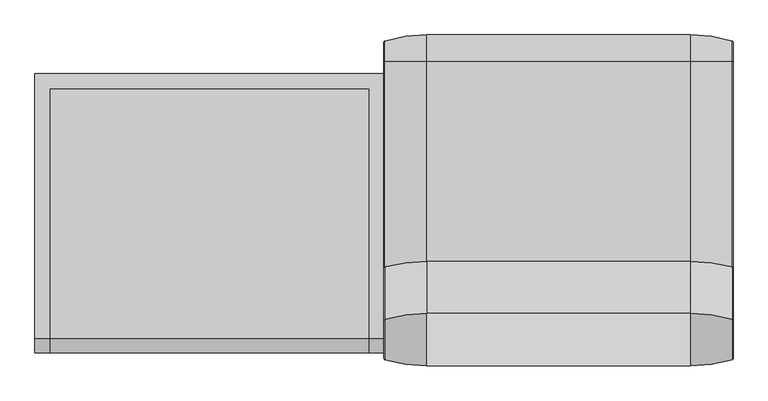
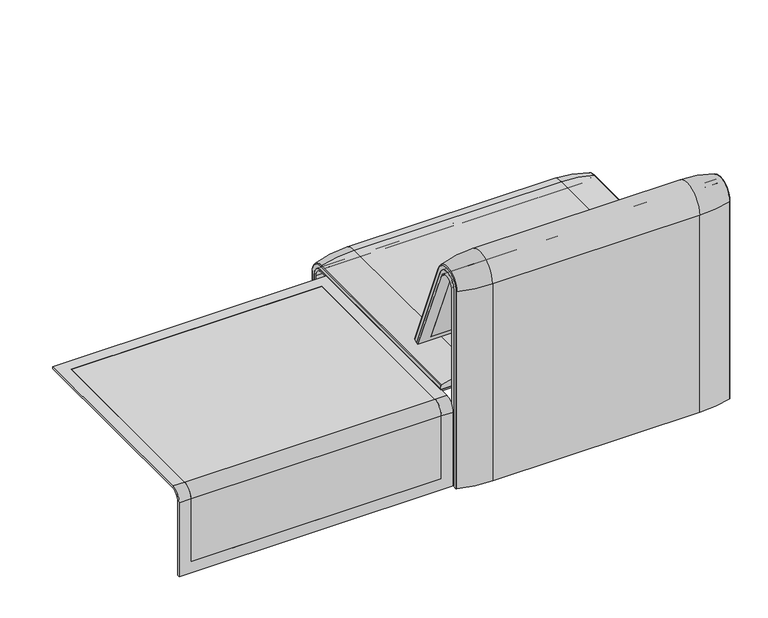
"""IFC4 building model written with IfcOpenShell, lengths in millimetres: furniture geometry."""

from ifc_helpers import new_model, si_unit, point, frame, frame_2d, origin, place, context, project, spatial, polyline, circle_curve, ellipse_curve, trimmed, segment, composite_curve, outline, extrude, source, transform, mapped, element, save
from ifc_brep_helpers import plane_surface, cylinder_surface, revolved_surface, advanced_brep


def furniture_03ffa2ee(model_context):
    return source(origin(), model_context, "Body", "SolidModel", [
        advanced_brep(
        [(407.9906244, -295.0, 359.922434), (1223.9718733, -295.0, 359.922434), (1223.9718733, -295.0, 366.172434), (407.9906244, -295.0, 366.172434), (407.9906244, 357.5, 333.0583003), (442.8906244, 357.5, 333.0583003), (442.8906244, 357.5, 135.3766997), (1189.0718733, 357.5, 135.3766997), (1189.0718733, 357.5, 333.0583003), (1223.9718733, 357.5, 333.0583003), (1223.9718733, 357.5, 100.5089435), (407.9906244, 357.5, 100.5089435), (407.9906244, 323.7517936, 359.922434), (442.8906244, 323.7517936, 359.922434), (442.8906244, -260.0, 359.922434), (1189.0718733, -260.0, 359.922434), (1189.0718733, 323.7517936, 359.922434), (1223.9718733, 323.7517936, 359.922434), (1189.0718733, 351.0, 135.3766997), (1189.0718733, 351.0, 332.6742277), (1189.0718733, -260.0, 366.172434), (1189.0718733, 324.3858663, 366.172434), (442.8906244, -260.0, 366.172434), (407.9906244, 324.3858663, 366.172434), (407.9906244, 351.0, 100.5089435), (407.9906244, 351.0, 332.6742277), (1223.9718733, 351.0, 332.6742277), (1223.9718733, 351.0, 100.5089435), (1223.9718733, 324.3858663, 366.172434), (442.8906244, 324.3858663, 366.172434), (442.8906244, 351.0, 135.3766997), (442.8906244, 351.0, 332.6742277)],
        [
            (0, 1),
            (1, 2),
            (2, 3),
            (3, 0),
            (4, 5),
            (5, 6),
            (6, 7),
            (7, 8),
            (8, 9),
            (9, 10),
            (10, 11),
            (11, 4),
            (12, 13),
            (13, 14),
            (14, 15),
            (15, 16),
            (16, 17),
            (17, 1),
            (0, 12),
            (18, 19),
            (19, 16, circle_curve(frame((1189.0718733, 323.7517936, 332.6742277), z_axis=(1.0, 0.0, 0.0), x_axis=(0.0, 1.0, 0.0)), 27.2482064)),
            (15, 20),
            (20, 21),
            (21, 8, circle_curve(frame((1189.0718733, 324.3858663, 333.0583003), z_axis=(-1.0, 0.0, 0.0), x_axis=(0.0, 1.0, 0.0)), 33.1141337)),
            (7, 18),
            (22, 20),
            (14, 22),
            (3, 23),
            (23, 4, circle_curve(frame((407.9906244, 324.3858663, 333.0583003), z_axis=(-1.0, 0.0, 0.0), x_axis=(0.0, 1.0, 0.0)), 33.1141337)),
            (11, 24),
            (24, 25),
            (25, 12, circle_curve(frame((407.9906244, 323.7517936, 332.6742277), z_axis=(1.0, 0.0, 0.0), x_axis=(0.0, 1.0, 0.0)), 27.2482064)),
            (17, 26, circle_curve(frame((1223.9718733, 323.7517936, 332.6742277), z_axis=(-1.0, 0.0, 0.0), x_axis=(0.0, 1.0, 0.0)), 27.2482064)),
            (26, 27),
            (27, 10),
            (9, 28, circle_curve(frame((1223.9718733, 324.3858663, 333.0583003), z_axis=(1.0, 0.0, 0.0), x_axis=(0.0, 1.0, 0.0)), 33.1141337)),
            (28, 2),
            (28, 21),
            (22, 29),
            (29, 23),
            (29, 5, circle_curve(frame((442.8906244, 324.3858663, 333.0583003), z_axis=(-1.0, 0.0, 0.0), x_axis=(0.0, 1.0, 0.0)), 33.1141337)),
            (27, 24),
            (26, 19),
            (18, 30),
            (30, 31),
            (31, 25),
            (31, 13, circle_curve(frame((442.8906244, 323.7517936, 332.6742277), z_axis=(1.0, 0.0, 0.0), x_axis=(0.0, 1.0, 0.0)), 27.2482064)),
            (30, 6),
        ],
        [
            plane_surface(frame((407.9906244, -295.0, 366.172434), z_axis=(0.0, -1.0, 0.0), x_axis=(1.0, 0.0, 0.0))),
            plane_surface(frame((407.9906244, 357.5, 100.5089435), z_axis=(0.0, 1.0, 0.0), x_axis=(1.0, 0.0, 0.0))),
            plane_surface(frame((407.9906244, -295.0, 359.922434), z_axis=(0.0, 0.0, -1.0), x_axis=(1.0, 0.0, 0.0))),
            plane_surface(frame((1189.0718733, 296.9265415, 359.922434), z_axis=(-1.0, 0.0, 0.0), x_axis=(0.0, -1.0, 0.0))),
            plane_surface(frame((442.8906244, -260.0, 366.172434), z_axis=(0.0, 1.0, 0.0), x_axis=(1.0, 0.0, 0.0))),
            plane_surface(frame((407.9906244, 296.9265415, 359.922434), z_axis=(-1.0, 0.0, 0.0), x_axis=(0.0, 1.0, 0.0))),
            plane_surface(frame((1223.9718733, 296.9265415, 359.922434), z_axis=(1.0, 0.0, 0.0), x_axis=(0.0, -1.0, 0.0))),
            plane_surface(frame((407.9906244, 324.3858663, 366.172434), z_axis=(0.0, 0.0, 1.0), x_axis=(1.0, 0.0, 0.0))),
            cylinder_surface(frame((1223.9718733, 324.3858663, 333.0583003), z_axis=(-1.0, 0.0, 0.0), x_axis=(0.0, 1.0, 0.0)), 33.1141337),
            plane_surface(frame((407.9906244, 351.0, 100.5089435), z_axis=(0.0, 0.0, -1.0), x_axis=(1.0, 0.0, 0.0))),
            plane_surface(frame((407.9906244, 351.0, 332.6742277), z_axis=(0.0, -1.0, 0.0), x_axis=(1.0, 0.0, 0.0))),
            revolved_surface(polyline([(442.8906244, 351.0, 332.6742277), (407.9906244, 351.0, 332.6742277)]), (1223.9718733, 323.7517936, 332.6742277), (1.0, 0.0, 0.0)),
            revolved_surface(polyline([(1223.9718733, 351.0, 332.6742277), (1189.0718733, 351.0, 332.6742277)]), (1223.9718733, 323.7517936, 332.6742277), (1.0, 0.0, 0.0)),
            plane_surface(frame((442.8906244, 296.9265415, 359.922434), z_axis=(1.0, 0.0, 0.0), x_axis=(0.0, 1.0, 0.0))),
            plane_surface(frame((442.8906244, 351.0, 135.3766997), z_axis=(0.0, 0.0, 1.0), x_axis=(1.0, 0.0, 0.0))),
        ],
        [
            (0, [[1, 2, 3, 4]]),
            (1, [[5, 6, 7, 8, 9, 10, 11, 12]]),
            (2, [[13, 14, 15, 16, 17, 18, -1, 19]]),
            (3, [[20, 21, -16, 22, 23, 24, -8, 25]]),
            (4, [[26, -22, -15, 27]]),
            (5, [[-4, 28, 29, -12, 30, 31, 32, -19]]),
            (6, [[-18, 33, 34, 35, -10, 36, 37, -2]]),
            (7, [[-3, -37, 38, -23, -26, 39, 40, -28]]),
            (8, [[-40, 41, -5, -29]]),
            (8, [[-9, -24, -38, -36]]),
            (9, [[-11, -35, 42, -30]]),
            (10, [[-42, -34, 43, -20, 44, 45, 46, -31]]),
            (11, [[-46, 47, -13, -32]]),
            (12, [[-17, -21, -43, -33]]),
            (13, [[-14, -47, -45, 48, -6, -41, -39, -27]]),
            (14, [[-44, -25, -7, -48]]),
        ],
    ),
        extrude(outline(composite_curve([segment(polyline([(-260.0, 359.922434), (-260.0, 366.172434), (324.3858663, 366.172434)]), True, "CONTINUOUS"), segment(trimmed(circle_curve(frame_2d((324.3858663, 333.0583003)), 33.1141337), [point((324.3858663, 366.172434))], [point((357.5, 333.0583003))], False, "CARTESIAN"), True, "CONTINUOUS"), segment(polyline([(357.5, 333.0583003), (357.5, 135.3766997), (351.0, 135.3766997), (351.0, 332.6742277)]), True, "CONTINUOUS"), segment(trimmed(circle_curve(frame_2d((323.7517936, 332.6742277)), 27.2482064), [point((351.0, 332.6742277))], [point((323.7517936, 359.922434))], True, "CARTESIAN"), True, "CONTINUOUS"), segment(polyline([(323.7517936, 359.922434), (-260.0, 359.922434)]), True, "CONTINUOUS")], self_intersect=False)), frame((442.8906244, 0.0, 0.0), z_axis=(1.0, 0.0, 0.0), x_axis=(0.0, 1.0, 0.0)), (0.0, 0.0, 1.0), 746.1812488),
        advanced_brep(
        [(407.9906244, 368.7793679, 100.5089435), (410.1292529, 371.6530483, 100.5089435), (507.9906244, 386.0043559, 100.5089435), (1123.9718733, 386.0043559, 100.5089435), (1221.8332448, 371.6530483, 100.5089435), (1223.9718733, 368.7793679, 100.5089435), (1223.9718733, 357.5, 100.5089435), (407.9906244, 357.5, 100.5089435), (407.9906244, -295.0, 377.4518019), (407.9906244, -295.0, 366.172434), (1223.9718733, -295.0, 366.172434), (1223.9718733, -295.0, 377.4518019), (1221.8332448, -295.0, 380.3254823), (1123.9718733, -295.0, 394.67679), (507.9906244, -295.0, 394.67679), (410.1292529, -295.0, 380.3254823), (407.9906244, 357.5, 333.0583003), (407.9906244, 324.3858663, 366.172434), (407.9906244, 324.3858663, 377.4518019), (407.9906244, 368.7793679, 333.0583003), (1223.9718733, 357.5, 333.0583003), (507.9906244, 386.0043559, 333.0583003), (1123.9718733, 386.0043559, 333.0583003), (410.1292529, 371.6530483, 333.0583003), (1223.9718733, 324.3858663, 366.172434), (507.9906244, 324.3858663, 394.67679), (1123.9718733, 324.3858663, 394.67679), (410.1292529, 324.3858663, 380.3254823), (1223.9718733, 368.7793679, 333.0583003), (1223.9718733, 324.3858663, 377.4518019), (1221.8332448, 371.6530483, 333.0583003), (1221.8332448, 324.3858663, 380.3254823)],
        [
            (0, 1, circle_curve(frame((410.9906244, 368.7793679, 100.5089435), z_axis=(0.0, 0.0, -1.0), x_axis=(1.0, 0.0, 0.0)), 3.0)),
            (1, 2, circle_curve(frame((507.9906244, 45.1710226, 100.5089435), z_axis=(0.0, 0.0, -1.0), x_axis=(0.0, -1.0, 0.0)), 340.8333333)),
            (2, 3),
            (3, 4, circle_curve(frame((1123.9718733, 45.1710226, 100.5089435), z_axis=(0.0, 0.0, -1.0), x_axis=(0.0, -1.0, 0.0)), 340.8333333)),
            (4, 5, circle_curve(frame((1220.9718733, 368.7793679, 100.5089435), z_axis=(0.0, 0.0, -1.0), x_axis=(-1.0, 0.0, 0.0)), 3.0)),
            (5, 6),
            (6, 7),
            (7, 0),
            (8, 9),
            (9, 10),
            (10, 11),
            (11, 12, circle_curve(frame((1220.9718733, -295.0, 377.4518019), z_axis=(0.0, -1.0, 0.0), x_axis=(-1.0, 0.0, 0.0)), 3.0)),
            (12, 13, circle_curve(frame((1123.9718733, -295.0, 53.8434566), z_axis=(0.0, -1.0, 0.0), x_axis=(0.0, 0.0, -1.0)), 340.8333333)),
            (13, 14),
            (14, 15, circle_curve(frame((507.9906244, -295.0, 53.8434566), z_axis=(0.0, -1.0, 0.0), x_axis=(0.0, 0.0, -1.0)), 340.8333333)),
            (15, 8, circle_curve(frame((410.9906244, -295.0, 377.4518019), z_axis=(0.0, -1.0, 0.0), x_axis=(1.0, 0.0, 0.0)), 3.0)),
            (7, 16),
            (16, 17, circle_curve(frame((407.9906244, 324.3858663, 333.0583003), z_axis=(1.0, 0.0, 0.0), x_axis=(0.0, 1.0, 0.0)), 33.1141337)),
            (17, 9),
            (8, 18),
            (18, 19, circle_curve(frame((407.9906244, 324.3858663, 333.0583003), z_axis=(-1.0, 0.0, 0.0), x_axis=(0.0, 1.0, 0.0)), 44.3935016)),
            (19, 0),
            (6, 20),
            (20, 16),
            (2, 21),
            (21, 22),
            (22, 3),
            (1, 23),
            (23, 21, circle_curve(frame((507.9906244, 45.1710226, 333.0583003), z_axis=(0.0, 0.0, -1.0), x_axis=(0.0, -1.0, 0.0)), 340.8333333)),
            (19, 23, circle_curve(frame((410.9906244, 368.7793679, 333.0583003), z_axis=(0.0, 0.0, -1.0), x_axis=(1.0, 0.0, 0.0)), 3.0)),
            (24, 17),
            (20, 24, circle_curve(frame((1223.9718733, 324.3858663, 333.0583003), z_axis=(1.0, 0.0, 0.0), x_axis=(0.0, 1.0, 0.0)), 33.1141337)),
            (25, 26),
            (26, 22, circle_curve(frame((1123.9718733, 324.3858663, 333.0583003), z_axis=(-1.0, 0.0, 0.0), x_axis=(0.0, 1.0, 0.0)), 61.6184897)),
            (21, 25, circle_curve(frame((507.9906244, 324.3858663, 333.0583003), z_axis=(1.0, 0.0, 0.0), x_axis=(0.0, 1.0, 0.0)), 61.6184897)),
            (27, 25, circle_curve(frame((507.9906244, 324.3858663, 53.8434566), z_axis=(0.0, 1.0, 0.0), x_axis=(0.0, 0.0, -1.0)), 340.8333333)),
            (23, 27, circle_curve(frame((410.1292529, 324.3858663, 333.0583003), z_axis=(1.0, 0.0, 0.0), x_axis=(0.0, 1.0, 0.0)), 47.267182)),
            (18, 27, circle_curve(frame((410.9906244, 324.3858663, 377.4518019), z_axis=(0.0, 1.0, 0.0), x_axis=(1.0, 0.0, 0.0)), 3.0)),
            (24, 10),
            (25, 14),
            (13, 26),
            (27, 15),
            (5, 28),
            (28, 29, circle_curve(frame((1223.9718733, 324.3858663, 333.0583003), z_axis=(1.0, 0.0, 0.0), x_axis=(0.0, 1.0, 0.0)), 44.3935016)),
            (29, 11),
            (4, 30),
            (30, 28, circle_curve(frame((1220.9718733, 368.7793679, 333.0583003), z_axis=(0.0, 0.0, -1.0), x_axis=(-1.0, 0.0, 0.0)), 3.0)),
            (22, 30, circle_curve(frame((1123.9718733, 45.1710226, 333.0583003), z_axis=(0.0, 0.0, -1.0), x_axis=(0.0, -1.0, 0.0)), 340.8333333)),
            (31, 29, circle_curve(frame((1220.9718733, 324.3858663, 377.4518019), z_axis=(0.0, 1.0, 0.0), x_axis=(-1.0, 0.0, 0.0)), 3.0)),
            (30, 31, circle_curve(frame((1221.8332448, 324.3858663, 333.0583003), z_axis=(1.0, 0.0, 0.0), x_axis=(0.0, 1.0, 0.0)), 47.267182)),
            (26, 31, circle_curve(frame((1123.9718733, 324.3858663, 53.8434566), z_axis=(0.0, 1.0, 0.0), x_axis=(0.0, 0.0, -1.0)), 340.8333333)),
            (31, 12),
        ],
        [
            plane_surface(frame((407.9906244, 357.5, 100.5089435), z_axis=(0.0, 0.0, -1.0), x_axis=(1.0, 0.0, 0.0))),
            plane_surface(frame((407.9906244, -295.0, 366.172434), z_axis=(0.0, -1.0, 0.0), x_axis=(1.0, 0.0, 0.0))),
            plane_surface(frame((407.9906244, 368.7793679, 100.5089435), z_axis=(-1.0, 0.0, 0.0), x_axis=(0.0, 0.0, 1.0))),
            plane_surface(frame((407.9906244, 357.5, 100.5089435), z_axis=(0.0, -1.0, 0.0), x_axis=(0.0, 0.0, 1.0))),
            plane_surface(frame((1123.9718733, 386.0043559, 100.5089435), z_axis=(0.0, 1.0, 0.0), x_axis=(0.0, 0.0, 1.0))),
            cylinder_surface(frame((507.9906244, 45.1710226, 100.5089435), z_axis=(0.0, 0.0, -1.0), x_axis=(0.0, -1.0, 0.0)), 340.8333333),
            cylinder_surface(frame((410.9906244, 368.7793679, 100.5089435), z_axis=(0.0, 0.0, -1.0), x_axis=(1.0, 0.0, 0.0)), 3.0),
            revolved_surface(polyline([(407.9906244, 357.5, 333.0583003), (1223.9718733, 357.5, 333.0583003)]), (407.9906244, 324.3858663, 333.0583003), (-1.0, 0.0, 0.0)),
            cylinder_surface(frame((407.9906244, 324.3858663, 333.0583003), z_axis=(-1.0, 0.0, 0.0), x_axis=(0.0, 1.0, 0.0)), 61.6184897),
            revolved_surface(trimmed(ellipse_curve(frame((507.9906244, 45.1710226, 333.0583003), z_axis=(0.0, 0.0, 1.0), x_axis=(0.0, -1.0, 0.0)), 340.8333333, 340.8333333), [point((507.9906244, 386.0043559, 333.0583003))], [point((410.1292529, 371.6530483, 333.0583003))], True, "CARTESIAN"), (407.9906244, 324.3858663, 333.0583003), (-1.0, 0.0, 0.0)),
            revolved_surface(trimmed(ellipse_curve(frame((410.9906244, 368.7793679, 333.0583003), z_axis=(0.0, 0.0, 1.0), x_axis=(1.0, 0.0, 0.0)), 3.0, 3.0), [point((410.1292529, 371.6530483, 333.0583003))], [point((407.9906244, 368.7793679, 333.0583003))], True, "CARTESIAN"), (407.9906244, 324.3858663, 333.0583003), (-1.0, 0.0, 0.0)),
            plane_surface(frame((407.9906244, 324.3858663, 366.172434), z_axis=(0.0, 0.0, -1.0), x_axis=(0.0, -1.0, 0.0))),
            plane_surface(frame((1123.9718733, 324.3858663, 394.67679), z_axis=(0.0, 0.0, 1.0), x_axis=(0.0, -1.0, 0.0))),
            cylinder_surface(frame((507.9906244, 324.3858663, 53.8434566), z_axis=(0.0, 1.0, 0.0), x_axis=(0.0, 0.0, -1.0)), 340.8333333),
            cylinder_surface(frame((410.9906244, 324.3858663, 377.4518019), z_axis=(0.0, 1.0, 0.0), x_axis=(1.0, 0.0, 0.0)), 3.0),
            plane_surface(frame((1223.9718733, 357.5, 100.5089435), z_axis=(1.0, 0.0, 0.0), x_axis=(0.0, 0.0, 1.0))),
            cylinder_surface(frame((1220.9718733, 368.7793679, 100.5089435), z_axis=(0.0, 0.0, -1.0), x_axis=(-1.0, 0.0, 0.0)), 3.0),
            cylinder_surface(frame((1123.9718733, 45.1710226, 100.5089435), z_axis=(0.0, 0.0, -1.0), x_axis=(0.0, -1.0, 0.0)), 340.8333333),
            revolved_surface(trimmed(ellipse_curve(frame((1220.9718733, 368.7793679, 333.0583003), z_axis=(0.0, 0.0, 1.0), x_axis=(-1.0, 0.0, 0.0)), 3.0, 3.0), [point((1223.9718733, 368.7793679, 333.0583003))], [point((1221.8332448, 371.6530483, 333.0583003))], True, "CARTESIAN"), (407.9906244, 324.3858663, 333.0583003), (-1.0, 0.0, 0.0)),
            revolved_surface(trimmed(ellipse_curve(frame((1123.9718733, 45.1710226, 333.0583003), z_axis=(0.0, 0.0, 1.0), x_axis=(0.0, -1.0, 0.0)), 340.8333333, 340.8333333), [point((1221.8332448, 371.6530483, 333.0583003))], [point((1123.9718733, 386.0043559, 333.0583003))], True, "CARTESIAN"), (407.9906244, 324.3858663, 333.0583003), (-1.0, 0.0, 0.0)),
            cylinder_surface(frame((1220.9718733, 324.3858663, 377.4518019), z_axis=(0.0, 1.0, 0.0), x_axis=(-1.0, 0.0, 0.0)), 3.0),
            cylinder_surface(frame((1123.9718733, 324.3858663, 53.8434566), z_axis=(0.0, 1.0, 0.0), x_axis=(0.0, 0.0, -1.0)), 340.8333333),
        ],
        [
            (0, [[1, 2, 3, 4, 5, 6, 7, 8]]),
            (1, [[9, 10, 11, 12, 13, 14, 15, 16]]),
            (2, [[17, 18, 19, -9, 20, 21, 22, -8]]),
            (3, [[23, 24, -17, -7]]),
            (4, [[25, 26, 27, -3]]),
            (5, [[28, 29, -25, -2]]),
            (6, [[-22, 30, -28, -1]]),
            (7, [[31, -18, -24, 32]]),
            (8, [[33, 34, -26, 35]]),
            (9, [[36, -35, -29, 37]]),
            (10, [[38, -37, -30, -21]]),
            (11, [[39, -10, -19, -31]]),
            (12, [[40, -14, 41, -33]]),
            (13, [[42, -15, -40, -36]]),
            (14, [[-20, -16, -42, -38]]),
            (15, [[43, 44, 45, -11, -39, -32, -23, -6]]),
            (16, [[46, 47, -43, -5]]),
            (17, [[-27, 48, -46, -4]]),
            (18, [[49, -44, -47, 50]]),
            (19, [[51, -50, -48, -34]]),
            (20, [[52, -12, -45, -49]]),
            (21, [[-41, -13, -52, -51]]),
        ],
    ),
        advanced_brep(
        [(1189.0718733, -176.0980387, 452.25948), (442.8906244, -176.0980387, 452.25948), (442.8906244, -181.0136548, 450.2250668), (1189.0718733, -181.0136548, 450.2250668), (1223.9884174, -351.0000061, 101.8476716), (408.0071685, -351.0000061, 101.8476716), (408.0071685, -351.0000061, 712.9272623), (442.8906244, -351.0000061, 712.9272623), (442.8906244, -351.0000061, 135.3766997), (1189.0718733, -351.0000061, 135.3766997), (1189.0718733, -351.0000061, 712.9272623), (1223.9884174, -351.0000061, 712.9272623), (1223.9884174, -296.2720241, 723.9759107), (1223.9884174, -175.0204081, 435.9866665), (1223.9884174, -170.1966807, 437.98305), (1223.9884174, -292.4403877, 733.7122262), (1223.9884174, -359.7858817, 720.3417731), (1223.9884174, -359.7858817, 101.8476716), (408.0071685, -359.7858817, 101.8476716), (408.0071685, -359.7858817, 720.3417731), (408.0071685, -292.4403877, 733.7122262), (408.0071685, -170.1966807, 437.98305), (408.0071685, -175.0204081, 435.9866665), (408.0071685, -296.2458652, 723.9869215), (442.8906244, -292.4403877, 733.7122262), (1189.0718733, -292.4403877, 733.7122262), (1189.0718733, -296.2458652, 723.9869215), (442.8906244, -296.2458652, 723.9869215), (1189.0718733, -359.7858817, 720.3417731), (1189.0718733, -359.7858817, 135.3766997), (442.8906244, -359.7858817, 135.3766997), (442.8906244, -359.7858817, 720.3417731)],
        [
            (0, 1),
            (1, 2),
            (2, 3),
            (3, 0),
            (4, 5),
            (5, 6),
            (6, 7),
            (7, 8),
            (8, 9),
            (9, 10),
            (10, 11),
            (11, 4),
            (11, 12, circle_curve(frame((1223.9884174, -322.520748, 712.9272623), z_axis=(-1.0, 0.0, 0.0), x_axis=(0.0, 1.0, 0.0)), 28.479258)),
            (12, 13),
            (13, 14),
            (14, 15),
            (15, 16, circle_curve(frame((1223.9884174, -324.7858817, 720.3417731), z_axis=(1.0, 0.0, 0.0), x_axis=(0.0, 1.0, 0.0)), 35.0)),
            (16, 17),
            (17, 4),
            (5, 18),
            (18, 19),
            (19, 20, circle_curve(frame((408.0071685, -324.7858817, 720.3417731), z_axis=(-1.0, 0.0, 0.0), x_axis=(0.0, 1.0, 0.0)), 35.0)),
            (20, 21),
            (21, 22),
            (22, 23),
            (23, 6, circle_curve(frame((408.0071685, -322.520748, 712.9272623), z_axis=(1.0, 0.0, 0.0), x_axis=(0.0, 1.0, 0.0)), 28.479258)),
            (14, 21),
            (20, 24),
            (24, 1),
            (0, 25),
            (25, 15),
            (13, 22),
            (12, 26),
            (26, 3),
            (2, 27),
            (27, 23),
            (17, 18),
            (16, 28),
            (28, 29),
            (29, 30),
            (30, 31),
            (31, 19),
            (31, 24, circle_curve(frame((442.8906244, -324.7858817, 720.3417731), z_axis=(-1.0, 0.0, 0.0), x_axis=(0.0, 1.0, 0.0)), 35.0)),
            (25, 28, circle_curve(frame((1189.0718733, -324.7858817, 720.3417731), z_axis=(1.0, 0.0, 0.0), x_axis=(0.0, 1.0, 0.0)), 35.0)),
            (27, 7, circle_curve(frame((442.8906244, -322.520748, 712.9272623), z_axis=(1.0, 0.0, 0.0), x_axis=(0.0, 1.0, 0.0)), 28.479258)),
            (10, 26, circle_curve(frame((1189.0718733, -322.520748, 712.9272623), z_axis=(-1.0, 0.0, 0.0), x_axis=(0.0, 1.0, 0.0)), 28.479258)),
            (9, 29),
            (30, 8),
        ],
        [
            plane_surface(frame((1189.0718733, -166.9120641, 456.0612553), z_axis=(0.0, -0.38241039441982605, 0.9239925812687422), x_axis=(-1.0, 0.0, 0.0))),
            plane_surface(frame((1223.9884174, -351.0000061, 712.9272623), z_axis=(0.0, 1.0, 0.0), x_axis=(-1.0, 0.0, 0.0))),
            plane_surface(frame((1223.9884174, -359.7858817, 101.8476716), z_axis=(1.0, 0.0, 0.0), x_axis=(0.0, -1.0, 0.0))),
            plane_surface(frame((408.0071685, -359.7858817, 101.8476716), z_axis=(-1.0, 0.0, 0.0), x_axis=(0.0, 1.0, 0.0))),
            plane_surface(frame((1223.9884174, -292.4403877, 733.7122262), z_axis=(0.0, 0.9241569717933176, 0.3820129467515535), x_axis=(-1.0, 0.0, 0.0))),
            plane_surface(frame((1223.9884174, -170.1966807, 437.98305), z_axis=(0.0, 0.38241039441983893, -0.9239925812687368), x_axis=(-1.0, 0.0, 0.0))),
            plane_surface(frame((1223.9884174, -175.0204081, 435.9866665), z_axis=(0.0, -0.921678643444566, -0.3879542218073993), x_axis=(-1.0, 0.0, 0.0))),
            plane_surface(frame((1223.9884174, -351.0000061, 101.8476716), z_axis=(0.0, 0.0, -1.0), x_axis=(-1.0, 0.0, 0.0))),
            plane_surface(frame((1223.9884174, -359.7858817, 101.8476716), z_axis=(0.0, -1.0, 0.0), x_axis=(-1.0, 0.0, 0.0))),
            cylinder_surface(frame((408.0071685, -324.7858817, 720.3417731), z_axis=(1.0, 0.0, 0.0), x_axis=(0.0, 1.0, 0.0)), 35.0),
            revolved_surface(polyline([(408.0071685, -294.04149, 712.9272623), (442.8906244, -294.04149, 712.9272623)]), (408.0071685, -322.520748, 712.9272623), (-1.0, 0.0, 0.0)),
            revolved_surface(polyline([(1189.0718733, -294.04149, 712.9272623), (1223.9884174, -294.04149, 712.9272623)]), (408.0071685, -322.520748, 712.9272623), (-1.0, 0.0, 0.0)),
            plane_surface(frame((1189.0718733, -359.7858817, 135.3766997), z_axis=(-1.0, 0.0, 0.0), x_axis=(0.0, -1.0, 0.0))),
            plane_surface(frame((442.8906244, -359.7858817, 135.3766997), z_axis=(1.0, 0.0, 0.0), x_axis=(0.0, 1.0, 0.0))),
            plane_surface(frame((1189.0718733, -344.7858817, 135.3766997), z_axis=(0.0, 0.0, 1.0), x_axis=(-1.0, 0.0, 0.0))),
        ],
        [
            (0, [[1, 2, 3, 4]]),
            (1, [[5, 6, 7, 8, 9, 10, 11, 12]]),
            (2, [[-12, 13, 14, 15, 16, 17, 18, 19]]),
            (3, [[20, 21, 22, 23, 24, 25, 26, -6]]),
            (4, [[27, -23, 28, 29, -1, 30, 31, -16]]),
            (5, [[32, -24, -27, -15]]),
            (6, [[33, 34, -3, 35, 36, -25, -32, -14]]),
            (7, [[37, -20, -5, -19]]),
            (8, [[38, 39, 40, 41, 42, -21, -37, -18]]),
            (9, [[-42, 43, -28, -22]]),
            (9, [[-31, 44, -38, -17]]),
            (10, [[-36, 45, -7, -26]]),
            (11, [[-11, 46, -33, -13]]),
            (12, [[-34, -46, -10, 47, -39, -44, -30, -4]]),
            (13, [[-8, -45, -35, -2, -29, -43, -41, 48]]),
            (14, [[-9, -48, -40, -47]]),
        ],
    ),
        advanced_brep(
        [(442.8906244, -351.0000061, 135.3766997), (442.8906244, -359.7858817, 135.3766997), (442.8906244, -359.7858817, 720.3417731), (442.8906244, -292.4403877, 733.7122262), (442.8906244, -176.0980387, 452.25948), (442.8906244, -181.0136548, 450.2250668), (442.8906244, -296.2458652, 723.9869215), (442.8906244, -351.0000061, 712.9272623), (1189.0718733, -176.0980387, 452.25948), (1189.0718733, -292.4403877, 733.7122262), (1189.0718733, -181.0136548, 450.2250668), (1189.0718733, -296.2458652, 723.9869215), (1189.0718733, -351.0000061, 135.3766997), (1189.0718733, -351.0000061, 712.9272623), (1189.0718733, -359.7858817, 720.3417731), (1189.0718733, -359.7858817, 135.3766997)],
        [
            (0, 1),
            (1, 2),
            (2, 3, circle_curve(frame((442.8906244, -324.7858817, 720.3417731), z_axis=(-1.0, 0.0, 0.0), x_axis=(0.0, 1.0, 0.0)), 35.0)),
            (3, 4),
            (4, 5),
            (5, 6),
            (6, 7, circle_curve(frame((442.8906244, -322.520748, 712.9272623), z_axis=(1.0, 0.0, 0.0), x_axis=(0.0, 1.0, 0.0)), 28.479258)),
            (7, 0),
            (8, 4),
            (3, 9),
            (9, 8),
            (10, 5),
            (8, 10),
            (11, 6),
            (10, 11),
            (12, 0),
            (7, 13),
            (13, 12),
            (13, 11, circle_curve(frame((1189.0718733, -322.520748, 712.9272623), z_axis=(-1.0, 0.0, 0.0), x_axis=(0.0, 1.0, 0.0)), 28.479258)),
            (9, 14, circle_curve(frame((1189.0718733, -324.7858817, 720.3417731), z_axis=(1.0, 0.0, 0.0), x_axis=(0.0, 1.0, 0.0)), 35.0)),
            (14, 15),
            (15, 12),
            (15, 1),
            (14, 2),
        ],
        [
            plane_surface(frame((442.8906244, -359.7858817, 135.3766997), z_axis=(-1.0, 0.0, 0.0), x_axis=(0.0, 1.0, 0.0))),
            plane_surface(frame((1189.0718733, -292.4403877, 733.7122262), z_axis=(0.0, 0.9241569717933176, 0.3820129467515535), x_axis=(-1.0, 0.0, 0.0))),
            plane_surface(frame((1189.0718733, -176.0980387, 452.25948), z_axis=(0.0, 0.38241039441982716, -0.9239925812687417), x_axis=(-1.0, 0.0, 0.0))),
            plane_surface(frame((1189.0718733, -181.0136548, 450.2250668), z_axis=(0.0, -0.921678643444566, -0.3879542218073993), x_axis=(-1.0, 0.0, 0.0))),
            plane_surface(frame((1189.0718733, -351.0000061, 712.9272623), z_axis=(0.0, 1.0, 0.0), x_axis=(-1.0, 0.0, 0.0))),
            plane_surface(frame((1189.0718733, -359.7858817, 135.3766997), z_axis=(1.0, 0.0, 0.0), x_axis=(0.0, -1.0, 0.0))),
            plane_surface(frame((1189.0718733, -351.0000061, 135.3766997), z_axis=(0.0, 0.0, -1.0), x_axis=(-1.0, 0.0, 0.0))),
            plane_surface(frame((1189.0718733, -359.7858817, 135.3766997), z_axis=(0.0, -1.0, 0.0), x_axis=(-1.0, 0.0, 0.0))),
            cylinder_surface(frame((442.8906244, -324.7858817, 720.3417731), z_axis=(1.0, 0.0, 0.0), x_axis=(0.0, 1.0, 0.0)), 35.0),
            revolved_surface(polyline([(442.8906244, -294.04149, 712.9272623), (1189.0718733, -294.04149, 712.9272623)]), (442.8906244, -322.520748, 712.9272623), (-1.0, 0.0, 0.0)),
        ],
        [
            (0, [[1, 2, 3, 4, 5, 6, 7, 8]]),
            (1, [[9, -4, 10, 11]]),
            (2, [[12, -5, -9, 13]]),
            (3, [[14, -6, -12, 15]]),
            (4, [[16, -8, 17, 18]]),
            (5, [[-18, 19, -15, -13, -11, 20, 21, 22]]),
            (6, [[23, -1, -16, -22]]),
            (7, [[24, -2, -23, -21]]),
            (8, [[-10, -3, -24, -20]]),
            (9, [[-17, -7, -14, -19]]),
        ],
    ),
        extrude(outline(composite_curve([segment(polyline([(-305.0000061, 349.9223263), (-285.0000061, 349.9223263)]), True, "CONTINUOUS"), segment(trimmed(circle_curve(frame_2d((-285.0000061, 359.9223263)), 10.0), [point((-285.0000061, 349.9223263))], [point((-275.0000061, 359.9223263))], True, "CARTESIAN"), True, "CONTINUOUS"), segment(polyline([(-275.0000061, 359.9223263), (-270.0000061, 359.9223263), (-270.0000061, 299.9223263), (-309.4476, 299.9223263)]), True, "CONTINUOUS"), segment(trimmed(circle_curve(frame_2d((-309.4476, 269.9223263)), 30.0), [point((-309.4476, 299.9223263))], [point((-339.4064861, 271.492405))], True, "CARTESIAN"), True, "CONTINUOUS"), segment(polyline([(-339.4064861, 271.492405), (-343.3075759, 197.0551771), (-351.0000061, 197.0551771), (-351.0000061, 712.9272623)]), True, "CONTINUOUS"), segment(trimmed(circle_curve(frame_2d((-322.520748, 712.9272623)), 28.479258), [point((-351.0000061, 712.9272623))], [point((-296.3054528, 724.0549949))], False, "CARTESIAN"), True, "CONTINUOUS"), segment(polyline([(-296.3054528, 724.0549949), (-213.7507451, 529.5682915), (-222.2725218, 526.5505721), (-238.0355877, 560.3545758)]), True, "CONTINUOUS"), segment(trimmed(circle_curve(frame_2d((-251.6302045, 554.0153019)), 15.0), [point((-238.0355877, 560.3545758))], [point((-257.4911714, 567.8228747))], True, "CARTESIAN"), True, "CONTINUOUS"), segment(polyline([(-257.4911714, 567.8228747), (-316.7219399, 542.6809051)]), True, "CONTINUOUS"), segment(trimmed(circle_curve(frame_2d((-305.0000061, 515.0657595)), 30.0), [point((-316.7219399, 542.6809051))], [point((-335.0000061, 515.0657595))], True, "CARTESIAN"), True, "CONTINUOUS"), segment(polyline([(-335.0000061, 515.0657595), (-335.0000061, 379.9223263)]), True, "CONTINUOUS"), segment(trimmed(circle_curve(frame_2d((-305.0000061, 379.9223263)), 30.0), [point((-335.0000061, 379.9223263))], [point((-305.0000061, 349.9223263))], True, "CARTESIAN"), True, "CONTINUOUS")], self_intersect=False), holes=[composite_curve([segment(trimmed(circle_curve(frame_2d((-319.9867182, 576.3274105)), 17.5132879), [point((-337.5000061, 576.3274105))], [point((-314.1406626, 559.8186587))], True, "CARTESIAN"), True, "CONTINUOUS"), segment(polyline([(-314.1406626, 559.8186587), (-265.0756376, 577.1934953)]), True, "CONTINUOUS"), segment(trimmed(circle_curve(frame_2d((-271.7517748, 596.0463251)), 20.0), [point((-265.0756376, 577.1934953))], [point((-253.6256191, 604.4986904))], True, "CARTESIAN"), True, "CONTINUOUS"), segment(polyline([(-253.6256191, 604.4986904), (-308.9053893, 723.0465402)]), True, "CONTINUOUS"), segment(trimmed(circle_curve(frame_2d((-322.5000061, 716.7072663)), 15.0), [point((-308.9053893, 723.0465402))], [point((-337.5000061, 716.7072663))], True, "CARTESIAN"), True, "CONTINUOUS"), segment(polyline([(-337.5000061, 716.7072663), (-337.5000061, 576.3274105)]), True, "CONTINUOUS")], self_intersect=False)]), frame((1060.9760457, 0.0, 0.0), z_axis=(1.0, 0.0, 0.0), x_axis=(0.0, 1.0, 0.0)), (0.0, 0.0, 1.0), 40.0),
        advanced_brep(
        [(1221.8497889, -373.93893, 100.5089435), (1221.8497889, -373.93893, 720.3417731), (1123.9884174, -388.2902376, 720.3417731), (1123.9884174, -388.2902376, 100.5089435), (407.9740803, -292.4403877, 733.7122262), (1223.9884174, -292.4403877, 733.7122262), (1223.9884174, -359.7858817, 720.3417731), (407.9740803, -359.7858817, 720.3417731), (507.9740803, -388.2902376, 100.5089435), (507.9740803, -388.2902376, 720.3417731), (410.1127088, -373.93893, 720.3417731), (410.1127088, -373.93893, 100.5089435), (410.1127088, -279.3607494, 739.1188739), (410.1127088, -157.1166065, 443.3886429), (407.9740803, -159.7723383, 442.2908598), (407.9740803, -282.0164812, 738.0210907), (507.9740803, -266.0978884, 744.6012592), (507.9740803, -143.8537454, 448.8710282), (407.9740803, -371.0652495, 100.5089435), (407.9740803, -359.7858817, 100.5089435), (1223.9884174, -359.7858817, 100.5089435), (1223.9884174, -371.0652495, 100.5089435), (1223.9884174, -371.0652495, 720.3417731), (1223.9884174, -170.1962447, 437.9819952), (1223.9884174, -159.7723383, 442.2908598), (1223.9884174, -282.0164812, 738.0210907), (1123.9884174, -143.8537454, 448.8710282), (1221.8497889, -157.1166065, 443.3886429), (407.9740803, -170.1962447, 437.9819952), (1123.9884174, -266.0978884, 744.6012592), (1221.8497889, -279.3607494, 739.1188739), (407.9740803, -371.0652495, 720.3417731)],
        [
            (0, 1),
            (1, 2, circle_curve(frame((1123.9884174, -47.4569043, 720.3417731), z_axis=(0.0, 0.0, -1.0), x_axis=(0.0, 1.0, 0.0)), 340.8333333)),
            (2, 3),
            (3, 0, circle_curve(frame((1123.9884174, -47.4569043, 100.5089435), z_axis=(0.0, 0.0, 1.0), x_axis=(0.0, 1.0, 0.0)), 340.8333333)),
            (4, 5),
            (5, 6, circle_curve(frame((1223.9884174, -324.7858817, 720.3417731), z_axis=(1.0, 0.0, 0.0), x_axis=(0.0, -1.0, 0.0)), 35.0)),
            (6, 7),
            (7, 4, circle_curve(frame((407.9740803, -324.7858817, 720.3417731), z_axis=(-1.0, 0.0, 0.0), x_axis=(0.0, -1.0, 0.0)), 35.0)),
            (8, 9),
            (9, 10, circle_curve(frame((507.9740803, -47.4569043, 720.3417731), z_axis=(0.0, 0.0, -1.0), x_axis=(0.0, 1.0, 0.0)), 340.8333333)),
            (10, 11),
            (11, 8, circle_curve(frame((507.9740803, -47.4569043, 100.5089435), z_axis=(0.0, 0.0, 1.0), x_axis=(0.0, 1.0, 0.0)), 340.8333333)),
            (12, 13),
            (13, 14, circle_curve(frame((410.9740803, -159.7723383, 442.2908598), z_axis=(0.0, -0.38201294675155345, 0.9241569717933176), x_axis=(-1.0, 0.0, 0.0)), 3.0)),
            (14, 15),
            (15, 12, circle_curve(frame((410.9740803, -282.0164812, 738.0210907), z_axis=(0.0, 0.38201294675155345, -0.9241569717933176), x_axis=(-1.0, 0.0, 0.0)), 3.0)),
            (16, 17),
            (17, 13, circle_curve(frame((507.9740803, -458.8372467, 318.6682822), z_axis=(0.0, -0.38201294675155345, 0.9241569717933176), x_axis=(0.0, -0.9241569717933176, -0.38201294675155345)), 340.8333333)),
            (12, 16, circle_curve(frame((507.9740803, -581.0813896, 614.3985132), z_axis=(0.0, 0.38201294675155345, -0.9241569717933176), x_axis=(0.0, -0.9241569717933176, -0.38201294675155345)), 340.8333333)),
            (3, 8),
            (11, 18, circle_curve(frame((410.9740803, -371.0652495, 100.5089435), z_axis=(0.0, 0.0, -1.0), x_axis=(-1.0, 0.0, 0.0)), 3.0)),
            (18, 19),
            (19, 20),
            (20, 21),
            (21, 0, circle_curve(frame((1220.9884174, -371.0652495, 100.5089435), z_axis=(0.0, 0.0, -1.0), x_axis=(1.0, 0.0, 0.0)), 3.0)),
            (2, 9),
            (21, 22),
            (22, 1, circle_curve(frame((1220.9884174, -371.0652495, 720.3417731), z_axis=(0.0, 0.0, -1.0), x_axis=(1.0, 0.0, 0.0)), 3.0)),
            (20, 6),
            (5, 23),
            (23, 24),
            (24, 25),
            (25, 22, circle_curve(frame((1223.9884174, -324.7858817, 720.3417731), z_axis=(1.0, 0.0, 0.0), x_axis=(0.0, -1.0, 0.0)), 46.2793679)),
            (19, 7),
            (26, 27, circle_curve(frame((1123.9884174, -458.8372467, 318.6682822), z_axis=(0.0, 0.38201294675155345, -0.9241569717933176), x_axis=(0.0, -0.9241569717933176, -0.38201294675155345)), 340.8333333)),
            (27, 24, circle_curve(frame((1220.9884174, -159.7723383, 442.2908598), z_axis=(0.0, 0.38201294675155345, -0.9241569717933176), x_axis=(1.0, 0.0, 0.0)), 3.0)),
            (23, 28),
            (28, 14),
            (17, 26),
            (29, 16),
            (16, 9, circle_curve(frame((507.9740803, -324.7858817, 720.3417731), z_axis=(1.0, 0.0, 0.0), x_axis=(0.0, -1.0, 0.0)), 63.5043559)),
            (2, 29, circle_curve(frame((1123.9884174, -324.7858817, 720.3417731), z_axis=(-1.0, 0.0, 0.0), x_axis=(0.0, -1.0, 0.0)), 63.5043559)),
            (30, 29, circle_curve(frame((1123.9884174, -581.0813896, 614.3985132), z_axis=(0.0, -0.3820129467515544, 0.9241569717933172), x_axis=(0.0, -0.9241569717933172, -0.3820129467515544)), 340.8333333)),
            (1, 30, circle_curve(frame((1221.8497889, -324.7858817, 720.3417731), z_axis=(-1.0, 0.0, 0.0), x_axis=(0.0, -1.0, 0.0)), 49.1530483)),
            (25, 30, circle_curve(frame((1220.9884174, -282.0164812, 738.0210907), z_axis=(0.0, -0.38201294675155356, 0.9241569717933176), x_axis=(1.0, 0.0, 0.0)), 3.0)),
            (29, 26),
            (30, 27),
            (4, 28),
            (18, 31),
            (31, 15, circle_curve(frame((407.9740803, -324.7858817, 720.3417731), z_axis=(-1.0, 0.0, 0.0), x_axis=(0.0, -1.0, 0.0)), 46.2793679)),
            (10, 31, circle_curve(frame((410.9740803, -371.0652495, 720.3417731), z_axis=(0.0, 0.0, -1.0), x_axis=(-1.0, 0.0, 0.0)), 3.0)),
            (10, 12, circle_curve(frame((410.1127088, -324.7858817, 720.3417731), z_axis=(-1.0, 0.0, 0.0), x_axis=(0.0, -1.0, 0.0)), 49.1530483)),
        ],
        [
            cylinder_surface(frame((1123.9884174, -47.4569043, 100.5089435), z_axis=(0.0, 0.0, -1.0), x_axis=(0.0, 1.0, 0.0)), 340.8333333),
            revolved_surface(polyline([(1223.9884174, -359.7858817, 720.3417731), (407.9740803, -359.7858817, 720.3417731)]), (820.7462721, -324.7858817, 720.3417731), (1.0, 0.0, 0.0)),
            cylinder_surface(frame((507.9740803, -47.4569043, 100.5089435), z_axis=(0.0, 0.0, -1.0), x_axis=(0.0, 1.0, 0.0)), 340.8333333),
            cylinder_surface(frame((410.9740803, -282.0164812, 738.0210907), z_axis=(0.0, -0.38201294675155345, 0.9241569717933176), x_axis=(-1.0, 0.0, 0.0)), 3.0),
            cylinder_surface(frame((507.9740803, -581.0813896, 614.3985132), z_axis=(0.0, -0.38201294675155345, 0.9241569717933176), x_axis=(0.0, -0.9241569717933176, -0.38201294675155345)), 340.8333333),
            plane_surface(frame((820.7462721, -359.7858817, 100.5089435), z_axis=(0.0, 0.0, -1.0), x_axis=(1.0, 0.0, 0.0))),
            plane_surface(frame((507.9740803, -388.2902376, 100.5089435), z_axis=(0.0, -1.0, 0.0), x_axis=(0.0, 0.0, 1.0))),
            cylinder_surface(frame((1220.9884174, -371.0652495, 100.5089435), z_axis=(0.0, 0.0, -1.0), x_axis=(1.0, 0.0, 0.0)), 3.0),
            plane_surface(frame((1223.9884174, -371.0652495, 100.5089435), z_axis=(1.0, 0.0, 0.0), x_axis=(0.0, 0.0, 1.0))),
            plane_surface(frame((1223.9884174, -359.7858817, 100.5089435), z_axis=(0.0, 1.0, 0.0), x_axis=(0.0, 0.0, 1.0))),
            plane_surface(frame((820.7462721, -170.1962447, 437.9819952), z_axis=(0.0, 0.38201294675155345, -0.9241569717933176), x_axis=(1.0, 0.0, 0.0))),
            cylinder_surface(frame((820.7462721, -324.7858817, 720.3417731), z_axis=(1.0, 0.0, 0.0), x_axis=(0.0, -1.0, 0.0)), 63.5043559),
            revolved_surface(trimmed(ellipse_curve(frame((1123.9884174, -47.4569043, 720.3417731), z_axis=(0.0, 0.0, 1.0), x_axis=(0.0, 1.0, 0.0)), 340.8333333, 340.8333333), [point((1123.9884174, -388.2902376, 720.3417731))], [point((1221.8497889, -373.93893, 720.3417731))], True, "CARTESIAN"), (820.7462721, -324.7858817, 720.3417731), (1.0, 0.0, 0.0)),
            revolved_surface(trimmed(ellipse_curve(frame((1220.9884174, -371.0652495, 720.3417731), z_axis=(0.0, 0.0, 1.0), x_axis=(1.0, 0.0, 0.0)), 3.0, 3.0), [point((1221.8497889, -373.93893, 720.3417731))], [point((1223.9884174, -371.0652495, 720.3417731))], True, "CARTESIAN"), (820.7462721, -324.7858817, 720.3417731), (1.0, 0.0, 0.0)),
            plane_surface(frame((507.9740803, -266.0978884, 744.6012592), z_axis=(0.0, 0.9241569717933176, 0.38201294675155356), x_axis=(0.0, 0.38201294675155356, -0.9241569717933176))),
            cylinder_surface(frame((1123.9884174, -581.0813896, 614.3985132), z_axis=(0.0, -0.38201294675155345, 0.9241569717933176), x_axis=(0.0, -0.9241569717933176, -0.38201294675155345)), 340.8333333),
            cylinder_surface(frame((1220.9884174, -282.0164812, 738.0210907), z_axis=(0.0, -0.38201294675155345, 0.9241569717933176), x_axis=(1.0, 0.0, 0.0)), 3.0),
            plane_surface(frame((1223.9884174, -292.4403877, 733.7122262), z_axis=(0.0, -0.9241569717933176, -0.38201294675155356), x_axis=(0.0, 0.38201294675155356, -0.9241569717933176))),
            plane_surface(frame((407.9740803, -359.7858817, 100.5089435), z_axis=(-1.0, 0.0, 0.0), x_axis=(0.0, 0.0, 1.0))),
            cylinder_surface(frame((410.9740803, -371.0652495, 100.5089435), z_axis=(0.0, 0.0, -1.0), x_axis=(-1.0, 0.0, 0.0)), 3.0),
            revolved_surface(trimmed(ellipse_curve(frame((410.9740803, -371.0652495, 720.3417731), z_axis=(0.0, 0.0, 1.0), x_axis=(-1.0, 0.0, 0.0)), 3.0, 3.0), [point((407.9740803, -371.0652495, 720.3417731))], [point((410.1127088, -373.93893, 720.3417731))], True, "CARTESIAN"), (820.7462721, -324.7858817, 720.3417731), (1.0, 0.0, 0.0)),
            revolved_surface(trimmed(ellipse_curve(frame((507.9740803, -47.4569043, 720.3417731), z_axis=(0.0, 0.0, 1.0), x_axis=(0.0, 1.0, 0.0)), 340.8333333, 340.8333333), [point((410.1127088, -373.93893, 720.3417731))], [point((507.9740803, -388.2902376, 720.3417731))], True, "CARTESIAN"), (820.7462721, -324.7858817, 720.3417731), (1.0, 0.0, 0.0)),
        ],
        [
            (0, [[1, 2, 3, 4]]),
            (1, [[5, 6, 7, 8]]),
            (2, [[9, 10, 11, 12]]),
            (3, [[13, 14, 15, 16]]),
            (4, [[17, 18, -13, 19]]),
            (5, [[20, -12, 21, 22, 23, 24, 25, -4]]),
            (6, [[-3, 26, -9, -20]]),
            (7, [[27, 28, -1, -25]]),
            (8, [[29, -6, 30, 31, 32, 33, -27, -24]]),
            (9, [[34, -7, -29, -23]]),
            (10, [[35, 36, -31, 37, 38, -14, -18, 39]]),
            (11, [[40, 41, -26, 42]]),
            (12, [[43, -42, -2, 44]]),
            (13, [[45, -44, -28, -33]]),
            (14, [[46, -39, -17, -40]]),
            (15, [[47, -35, -46, -43]]),
            (16, [[-32, -36, -47, -45]]),
            (17, [[48, -37, -30, -5]]),
            (18, [[49, 50, -15, -38, -48, -8, -34, -22]]),
            (19, [[-11, 51, -49, -21]]),
            (20, [[-16, -50, -51, 52]]),
            (21, [[-19, -52, -10, -41]]),
        ],
    ),
        extrude(outline(composite_curve([segment(polyline([(-305.0000061, 349.9223263), (-285.0000061, 349.9223263)]), True, "CONTINUOUS"), segment(trimmed(circle_curve(frame_2d((-285.0000061, 359.9223263)), 10.0), [point((-285.0000061, 349.9223263))], [point((-275.0000061, 359.9223263))], True, "CARTESIAN"), True, "CONTINUOUS"), segment(polyline([(-275.0000061, 359.9223263), (-270.0000061, 359.9223263), (-270.0000061, 299.9223263), (-309.4476, 299.9223263)]), True, "CONTINUOUS"), segment(trimmed(circle_curve(frame_2d((-309.4476, 269.9223263)), 30.0), [point((-309.4476, 299.9223263))], [point((-339.4064861, 271.492405))], True, "CARTESIAN"), True, "CONTINUOUS"), segment(polyline([(-339.4064861, 271.492405), (-343.3075759, 197.0551771), (-351.0000061, 197.0551771), (-351.0000061, 712.9272623)]), True, "CONTINUOUS"), segment(trimmed(circle_curve(frame_2d((-322.520748, 712.9272623)), 28.479258), [point((-351.0000061, 712.9272623))], [point((-296.3054528, 724.0549949))], False, "CARTESIAN"), True, "CONTINUOUS"), segment(polyline([(-296.3054528, 724.0549949), (-213.7507451, 529.5682915), (-222.2725218, 526.5505721), (-238.0355877, 560.3545758)]), True, "CONTINUOUS"), segment(trimmed(circle_curve(frame_2d((-251.6302045, 554.0153019)), 15.0), [point((-238.0355877, 560.3545758))], [point((-257.4911714, 567.8228747))], True, "CARTESIAN"), True, "CONTINUOUS"), segment(polyline([(-257.4911714, 567.8228747), (-316.7219399, 542.6809051)]), True, "CONTINUOUS"), segment(trimmed(circle_curve(frame_2d((-305.0000061, 515.0657595)), 30.0), [point((-316.7219399, 542.6809051))], [point((-335.0000061, 515.0657595))], True, "CARTESIAN"), True, "CONTINUOUS"), segment(polyline([(-335.0000061, 515.0657595), (-335.0000061, 379.9223263)]), True, "CONTINUOUS"), segment(trimmed(circle_curve(frame_2d((-305.0000061, 379.9223263)), 30.0), [point((-335.0000061, 379.9223263))], [point((-305.0000061, 349.9223263))], True, "CARTESIAN"), True, "CONTINUOUS")], self_intersect=False), holes=[composite_curve([segment(trimmed(circle_curve(frame_2d((-319.9867182, 576.3274105)), 17.5132879), [point((-337.5000061, 576.3274105))], [point((-314.1406626, 559.8186587))], True, "CARTESIAN"), True, "CONTINUOUS"), segment(polyline([(-314.1406626, 559.8186587), (-265.0756376, 577.1934953)]), True, "CONTINUOUS"), segment(trimmed(circle_curve(frame_2d((-271.7517748, 596.0463251)), 20.0), [point((-265.0756376, 577.1934953))], [point((-253.6256191, 604.4986904))], True, "CARTESIAN"), True, "CONTINUOUS"), segment(polyline([(-253.6256191, 604.4986904), (-308.9053893, 723.0465402)]), True, "CONTINUOUS"), segment(trimmed(circle_curve(frame_2d((-322.5000061, 716.7072663)), 15.0), [point((-308.9053893, 723.0465402))], [point((-337.5000061, 716.7072663))], True, "CARTESIAN"), True, "CONTINUOUS"), segment(polyline([(-337.5000061, 716.7072663), (-337.5000061, 576.3274105)]), True, "CONTINUOUS")], self_intersect=False)]), frame((530.986452, 0.0, 0.0), z_axis=(1.0, 0.0, 0.0), x_axis=(0.0, 1.0, 0.0)), (0.0, 0.0, 1.0), 40.0),
        advanced_brep(
        [(-407.9906244, 295.0, 359.922434), (-407.9906244, -323.7517936, 359.922434), (-407.9906244, -351.0, 332.6742277), (-407.9906244, -351.0, 100.5089435), (-407.9906244, -357.5, 100.5089435), (-407.9906244, -357.5, 333.0583003), (-407.9906244, -324.3858663, 366.172434), (-407.9906244, 295.0, 366.172434), (407.9906244, 295.0, 359.922434), (407.9906244, 295.0, 366.172434), (407.9906244, -324.3858663, 366.172434), (407.9906244, -357.5, 333.0583003), (407.9906244, -357.5, 100.5089435), (407.9906244, -351.0, 100.5089435), (407.9906244, -351.0, 332.6742277), (407.9906244, -323.7517936, 359.922434), (-373.0906244, -324.3858663, 366.172434), (-373.0906244, 260.0, 366.172434), (373.0906244, 260.0, 366.172434), (373.0906244, -324.3858663, 366.172434), (-373.0906244, -357.5, 333.0583003), (373.0906244, -357.5, 333.0583003), (373.0906244, -357.5, 135.3766997), (-373.0906244, -357.5, 135.3766997), (-373.0906244, -351.0, 332.6742277), (-373.0906244, -351.0, 135.3766997), (373.0906244, -351.0, 135.3766997), (373.0906244, -351.0, 332.6742277), (-373.0906244, -323.7517936, 359.922434), (373.0906244, -323.7517936, 359.922434), (373.0906244, 260.0, 359.922434), (-373.0906244, 260.0, 359.922434)],
        [
            (0, 1),
            (1, 2, circle_curve(frame((-407.9906244, -323.7517936, 332.6742277), z_axis=(1.0, 0.0, 0.0), x_axis=(0.0, -1.0, 0.0)), 27.2482064)),
            (2, 3),
            (3, 4),
            (4, 5),
            (5, 6, circle_curve(frame((-407.9906244, -324.3858663, 333.0583003), z_axis=(-1.0, 0.0, 0.0), x_axis=(0.0, -1.0, 0.0)), 33.1141337)),
            (6, 7),
            (7, 0),
            (8, 9),
            (9, 10),
            (10, 11, circle_curve(frame((407.9906244, -324.3858663, 333.0583003), z_axis=(1.0, 0.0, 0.0), x_axis=(0.0, -1.0, 0.0)), 33.1141337)),
            (11, 12),
            (12, 13),
            (13, 14),
            (14, 15, circle_curve(frame((407.9906244, -323.7517936, 332.6742277), z_axis=(-1.0, 0.0, 0.0), x_axis=(0.0, -1.0, 0.0)), 27.2482064)),
            (15, 8),
            (7, 9),
            (8, 0),
            (6, 16),
            (16, 17),
            (17, 18),
            (18, 19),
            (19, 10),
            (5, 20),
            (20, 16, circle_curve(frame((-373.0906244, -324.3858663, 333.0583003), z_axis=(-1.0, 0.0, 0.0), x_axis=(0.0, -1.0, 0.0)), 33.1141337)),
            (19, 21, circle_curve(frame((373.0906244, -324.3858663, 333.0583003), z_axis=(1.0, 0.0, 0.0), x_axis=(0.0, -1.0, 0.0)), 33.1141337)),
            (21, 11),
            (4, 12),
            (21, 22),
            (22, 23),
            (23, 20),
            (3, 13),
            (2, 24),
            (24, 25),
            (25, 26),
            (26, 27),
            (27, 14),
            (1, 28),
            (28, 24, circle_curve(frame((-373.0906244, -323.7517936, 332.6742277), z_axis=(1.0, 0.0, 0.0), x_axis=(0.0, -1.0, 0.0)), 27.2482064)),
            (27, 29, circle_curve(frame((373.0906244, -323.7517936, 332.6742277), z_axis=(-1.0, 0.0, 0.0), x_axis=(0.0, -1.0, 0.0)), 27.2482064)),
            (29, 15),
            (29, 30),
            (30, 31),
            (31, 28),
            (31, 17),
            (23, 25),
            (26, 22),
            (18, 30),
        ],
        [
            plane_surface(frame((-407.9906244, -296.9265415, 359.922434), z_axis=(-1.0, 0.0, 0.0), x_axis=(0.0, -1.0, 0.0))),
            plane_surface(frame((407.9906244, -296.9265415, 359.922434), z_axis=(1.0, 0.0, 0.0), x_axis=(0.0, 1.0, 0.0))),
            plane_surface(frame((-407.9906244, 295.0, 366.172434), z_axis=(0.0, 1.0, 0.0), x_axis=(1.0, 0.0, 0.0))),
            plane_surface(frame((-407.9906244, -324.3858663, 366.172434), z_axis=(0.0, 0.0, 1.0), x_axis=(1.0, 0.0, 0.0))),
            cylinder_surface(frame((407.9906244, -324.3858663, 333.0583003), z_axis=(-1.0, 0.0, 0.0), x_axis=(0.0, -1.0, 0.0)), 33.1141337),
            plane_surface(frame((-407.9906244, -357.5, 100.5089435), z_axis=(0.0, -1.0, 0.0), x_axis=(1.0, 0.0, 0.0))),
            plane_surface(frame((-407.9906244, -351.0, 100.5089435), z_axis=(0.0, 0.0, -1.0), x_axis=(1.0, 0.0, 0.0))),
            plane_surface(frame((-407.9906244, -351.0, 332.6742277), z_axis=(0.0, 1.0, 0.0), x_axis=(1.0, 0.0, 0.0))),
            revolved_surface(polyline([(-373.0906244, -351.0, 332.6742277), (-407.9906244, -351.0, 332.6742277)]), (407.9906244, -323.7517936, 332.6742277), (1.0, 0.0, 0.0)),
            revolved_surface(polyline([(407.9906244, -351.0, 332.6742277), (373.0906244, -351.0, 332.6742277)]), (407.9906244, -323.7517936, 332.6742277), (1.0, 0.0, 0.0)),
            plane_surface(frame((-407.9906244, 295.0, 359.922434), z_axis=(0.0, 0.0, -1.0), x_axis=(1.0, 0.0, 0.0))),
            plane_surface(frame((-373.0906244, -296.9265415, 359.922434), z_axis=(1.0, 0.0, 0.0), x_axis=(0.0, -1.0, 0.0))),
            plane_surface(frame((373.0906244, -296.9265415, 359.922434), z_axis=(-1.0, 0.0, 0.0), x_axis=(0.0, 1.0, 0.0))),
            plane_surface(frame((-373.0906244, 260.0, 366.172434), z_axis=(0.0, -1.0, 0.0), x_axis=(1.0, 0.0, 0.0))),
            plane_surface(frame((-373.0906244, -351.0, 135.3766997), z_axis=(0.0, 0.0, 1.0), x_axis=(1.0, 0.0, 0.0))),
        ],
        [
            (0, [[1, 2, 3, 4, 5, 6, 7, 8]]),
            (1, [[9, 10, 11, 12, 13, 14, 15, 16]]),
            (2, [[-8, 17, -9, 18]]),
            (3, [[-7, 19, 20, 21, 22, 23, -10, -17]]),
            (4, [[-6, 24, 25, -19]]),
            (4, [[-11, -23, 26, 27]]),
            (5, [[-5, 28, -12, -27, 29, 30, 31, -24]]),
            (6, [[-4, 32, -13, -28]]),
            (7, [[-3, 33, 34, 35, 36, 37, -14, -32]]),
            (8, [[-2, 38, 39, -33]]),
            (9, [[-15, -37, 40, 41]]),
            (10, [[-1, -18, -16, -41, 42, 43, 44, -38]]),
            (11, [[45, -20, -25, -31, 46, -34, -39, -44]]),
            (12, [[47, -29, -26, -22, 48, -42, -40, -36]]),
            (13, [[-45, -43, -48, -21]]),
            (14, [[-46, -30, -47, -35]]),
        ],
    ),
        extrude(outline(composite_curve([segment(polyline([(260.0, 359.922434), (-323.7517936, 359.922434)]), True, "CONTINUOUS"), segment(trimmed(circle_curve(frame_2d((-323.7517936, 332.6742277)), 27.2482064), [point((-323.7517936, 359.922434))], [point((-351.0, 332.6742277))], True, "CARTESIAN"), True, "CONTINUOUS"), segment(polyline([(-351.0, 332.6742277), (-351.0, 135.3766997), (-357.5, 135.3766997), (-357.5, 333.0583003)]), True, "CONTINUOUS"), segment(trimmed(circle_curve(frame_2d((-324.3858663, 333.0583003)), 33.1141337), [point((-357.5, 333.0583003))], [point((-324.3858663, 366.172434))], False, "CARTESIAN"), True, "CONTINUOUS"), segment(polyline([(-324.3858663, 366.172434), (260.0, 366.172434), (260.0, 359.922434)]), True, "CONTINUOUS")], self_intersect=False)), frame((-373.0906244, 0.0, 0.0), z_axis=(1.0, 0.0, 0.0), x_axis=(0.0, 1.0, 0.0)), (0.0, 0.0, 1.0), 746.1812488),
    ])


if __name__ == "__main__":
    model = new_model("IFC4")
    model_context = context("Model", 3, world=origin())
    ifc_project = project(units=[si_unit("LENGTHUNIT", "METRE", prefix="MILLI")], contexts=[model_context])
    site = spatial("IfcSite", under=ifc_project)
    building = spatial("IfcBuilding", under=site)
    placement = place(None, origin())
    furniture_shape = furniture_03ffa2ee(model_context)
    element("IfcFurniture", 1, at=placement, inside=building, context=model_context, shape_type="MappedRepresentation", body=[
        mapped(furniture_shape, transform((0.0, 0.0, 0.0), x_axis=(1.0, 0.0, 0.0), y_axis=(0.0, 1.0, 0.0), z_axis=(0.0, 0.0, 1.0))),
    ])
    save(model, "model.ifc")
